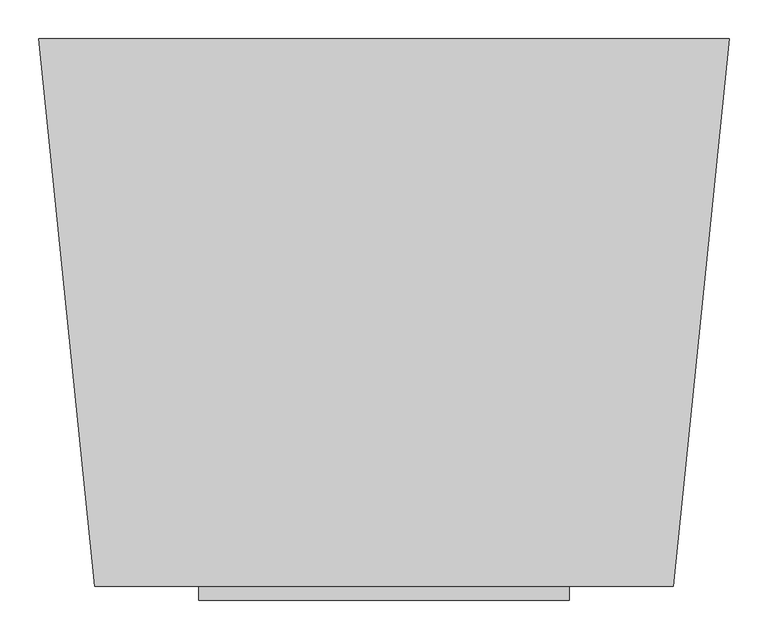
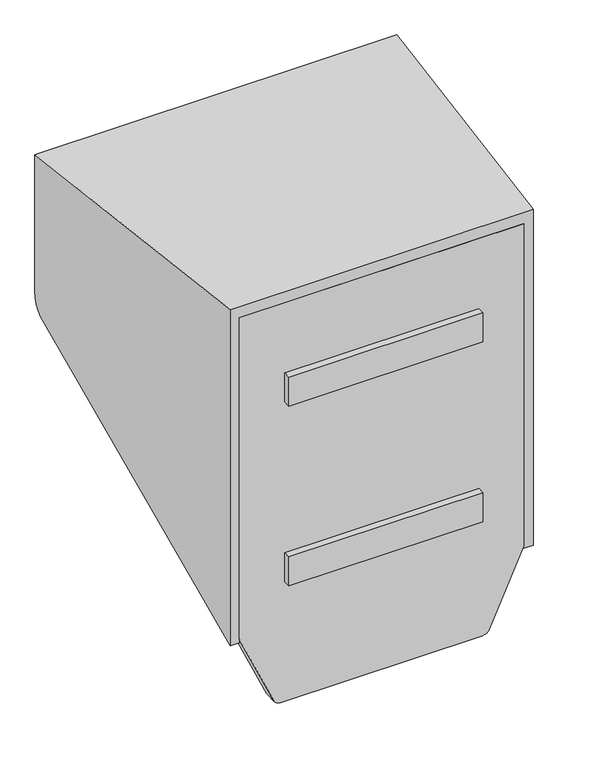
"""IFC4 building model written with IfcOpenShell, lengths in millimetres: furniture geometry."""

from ifc_helpers import new_model, si_unit, point, frame, frame_2d, origin, place, context, project, spatial, polyline, circle_curve, ellipse_curve, trimmed, segment, composite_curve, outline, extrude, source, transform, mapped, element, save
from ifc_brep_helpers import plane_surface, cylinder_surface, advanced_brep


def furniture_a976f50e(model_context):
    return source(origin(), model_context, "Body", "SolidModel", [
        extrude(outline(composite_curve([segment(polyline([(1196.2520627, -225.1627467), (1010.7755343, -141.9604968)]), True, "CONTINUOUS"), segment(trimmed(circle_curve(frame_2d((1018.2926056, -125.2032543)), 18.3660431), [point((1010.7755343, -141.9604968))], [point((999.9265625, -125.2032543))], False, "CARTESIAN"), True, "CONTINUOUS"), segment(polyline([(999.9265625, -125.2032543), (999.9265625, 374.4783123)]), True, "CONTINUOUS"), segment(trimmed(circle_curve(frame_2d((1018.2820312, 374.4783123)), 18.3554688), [point((999.9265625, 374.4783123))], [point((1010.7054031, 391.1971024))], False, "CARTESIAN"), True, "CONTINUOUS"), segment(polyline([(1010.7054031, 391.1971024), (1195.9359164, 475.1399425)]), True, "CONTINUOUS"), segment(trimmed(circle_curve(frame_2d((1203.7173183, 457.9692933)), 18.8515625), [point((1195.9359164, 475.1399425))], [point((1203.7172845, 476.8208558))], False, "CARTESIAN"), True, "CONTINUOUS"), segment(polyline([(1203.7172845, 476.8208558), (2040.9999033, 476.8223546), (2040.9999033, -226.8291567), (1203.9675135, -226.814077)]), True, "CONTINUOUS"), segment(trimmed(circle_curve(frame_2d((1203.9678531, -207.9625145)), 18.8515625), [point((1203.9675135, -226.814077))], [point((1196.2520627, -225.1627467))], False, "CARTESIAN"), True, "CONTINUOUS")], self_intersect=False)), frame((0.0, 93.0023534, 0.0), z_axis=(0.0, 1.0, 0.0), x_axis=(0.0, 0.0, 1.0)), (0.0, 0.0, 1.0), 29.0060977),
        advanced_brep(
        [(572.3771994, 802.9125096, 2070.0007812), (-322.2246246, 802.9125096, 2070.0007812), (-249.7337487, 93.0023534, 2070.0007812), (499.8868824, 93.0023534, 2070.0007812), (476.8216093, 93.0023534, 1191.7094635), (476.8216093, 93.0023534, 2040.9999033), (550.0668088, 802.9125096, 2040.9999033), (550.0668088, 802.9125096, 1712.0080734), (546.6051375, 769.3611561, 1648.8362137), (572.3771994, 802.9125096, 1712.0080734), (-300.0668088, 802.9125096, 2040.9999033), (-300.0668088, 802.9125096, 1712.0080734), (-322.2246246, 802.9125096, 1712.0080734), (499.8868824, 93.0023534, 1191.7094635), (568.9512049, 769.3611561, 1648.8362137), (-249.7337487, 93.0023534, 1191.7094635), (-226.8216093, 93.0023534, 1191.7094635), (-226.8216093, 93.0023534, 2040.9999033), (-296.6051375, 769.3611561, 1648.8362137), (-318.7986038, 769.3611561, 1648.8362137)],
        [
            (0, 1),
            (1, 2),
            (2, 3),
            (3, 0),
            (4, 5),
            (5, 6),
            (6, 7),
            (7, 8, ellipse_curve(frame((542.2000055, 726.6655531, 1712.0080734), z_axis=(-0.9947195490172969, 0.10263049645610012, 0.0), x_axis=(-0.10263049645609973, -0.994719549017297, 0.0)), 76.6517122, 76.2469566)),
            (8, 4),
            (0, 9),
            (9, 7),
            (6, 10),
            (10, 11),
            (11, 12),
            (12, 1),
            (3, 13),
            (13, 14),
            (14, 9, ellipse_curve(frame((564.5914732, 726.6655531, 1712.0080734), z_axis=(0.9948269925511616, -0.10158373340063472, 0.0), x_axis=(-0.10158373340063367, -0.9948269925511617, 0.0)), 76.6434336, 76.2469566)),
            (2, 15),
            (15, 16),
            (16, 17),
            (17, 5),
            (4, 13),
            (18, 11, ellipse_curve(frame((-292.2000055, 726.6655531, 1712.0080734), z_axis=(0.9947195490172974, 0.10263049645609514, 0.0), x_axis=(-0.10263049645609379, 0.9947195490172973, 0.0)), 76.6517122, 76.2469566)),
            (10, 17),
            (16, 18),
            (12, 19, ellipse_curve(frame((-314.4388385, 726.6655531, 1712.0080734), z_axis=(-0.9948269133965385, -0.10158450857249933, 0.0), x_axis=(-0.10158450857249769, 0.9948269133965385, 0.0)), 76.6434397, 76.2469566)),
            (19, 15),
            (8, 14),
            (19, 18),
        ],
        [
            plane_surface(frame((550.0668088, 802.9125096, 2070.0007812), z_axis=(0.0, 0.0, 1.0), x_axis=(0.10263049645610012, 0.9947195490172969, 0.0))),
            plane_surface(frame((476.8216093, 93.0023534, 2070.0007812), z_axis=(-0.9947195490172969, 0.10263049645610012, 0.0), x_axis=(0.0, 0.0, -1.0))),
            plane_surface(frame((550.0668088, 802.9125096, 2070.0007812), z_axis=(0.0, 1.0, 0.0), x_axis=(0.0, 0.0, -1.0))),
            plane_surface(frame((572.3771994, 802.9125096, 2070.0007812), z_axis=(0.9948269925511616, -0.10158373340063472, 0.0), x_axis=(0.0, 0.0, -1.0))),
            plane_surface(frame((499.8868824, 93.0023534, 2070.0007812), z_axis=(0.0, -1.0, 0.0), x_axis=(0.0, 0.0, -1.0))),
            plane_surface(frame((-300.0668088, 802.9125096, 2070.0007812), z_axis=(0.9947195490172974, 0.10263049645609514, 0.0), x_axis=(0.0, 0.0, -1.0))),
            plane_surface(frame((-249.7337487, 93.0023534, 2070.0007812), z_axis=(-0.9948269133965385, -0.10158450857249933, 0.0), x_axis=(0.0, 0.0, -1.0))),
            plane_surface(frame((-300.0668088, 802.9125096, 2040.9999033), z_axis=(0.0, 0.0, -1.0000000000000002), x_axis=(0.10263049645609519, -0.9947195490172974, 0.0))),
            plane_surface(frame((640.927666, 75.0, 1179.542316), z_axis=(0.0, 0.5599646853681015, -0.8285164760827651), x_axis=(-1.0, 0.0, 0.0))),
            cylinder_surface(frame((-389.0371502, 726.6655531, 1712.0080734), z_axis=(-1.0, 0.0, 0.0), x_axis=(0.0, -1.0, 0.0)), 76.2469566),
        ],
        [
            (0, [[1, 2, 3, 4]]),
            (1, [[5, 6, 7, 8, 9]]),
            (2, [[10, 11, -7, 12, 13, 14, 15, -1]]),
            (3, [[16, 17, 18, -10, -4]]),
            (4, [[19, 20, 21, 22, -5, 23, -16, -3]]),
            (5, [[24, -13, 25, -21, 26]]),
            (6, [[-15, 27, 28, -19, -2]]),
            (7, [[-25, -12, -6, -22]]),
            (8, [[-17, -23, -9, 29]]),
            (8, [[-26, -20, -28, 30]]),
            (9, [[-8, -11, -18, -29]]),
            (9, [[-27, -14, -24, -30]]),
        ],
    ),
        extrude(outline(polyline([(365.0000127, 93.0023534), (365.0000127, 75.0), (-115.0000127, 75.0), (-115.0000127, 93.0023534), (365.0000127, 93.0023534)])), frame((0.0, 0.0, 1782.0000874), z_axis=(0.0, 0.0, 1.0), x_axis=(1.0, 0.0, 0.0)), (0.0, 0.0, 1.0), 75.9999395),
        extrude(outline(polyline([(365.0000127, 93.0023534), (365.0000127, 75.0), (-115.0000127, 75.0), (-115.0000127, 93.0023534), (365.0000127, 93.0023534)])), frame((0.0, 0.0, 1311.9999602), z_axis=(0.0, 0.0, 1.0), x_axis=(1.0, 0.0, 0.0)), (0.0, 0.0, 1.0), 76.0000122),
    ])


if __name__ == "__main__":
    model = new_model("IFC4")
    model_context = context("Model", 3, world=origin())
    ifc_project = project(units=[si_unit("LENGTHUNIT", "METRE", prefix="MILLI")], contexts=[model_context])
    site = spatial("IfcSite", under=ifc_project)
    building = spatial("IfcBuilding", under=site)
    placement = place(None, origin())
    furniture_shape = furniture_a976f50e(model_context)
    element("IfcFurniture", 1, at=placement, inside=building, context=model_context, shape_type="MappedRepresentation", body=[
        mapped(furniture_shape, transform((0.0, 0.0, 0.0), x_axis=(1.0, 0.0, 0.0), y_axis=(0.0, 1.0, 0.0), z_axis=(0.0, 0.0, 1.0))),
    ])
    save(model, "model.ifc")
